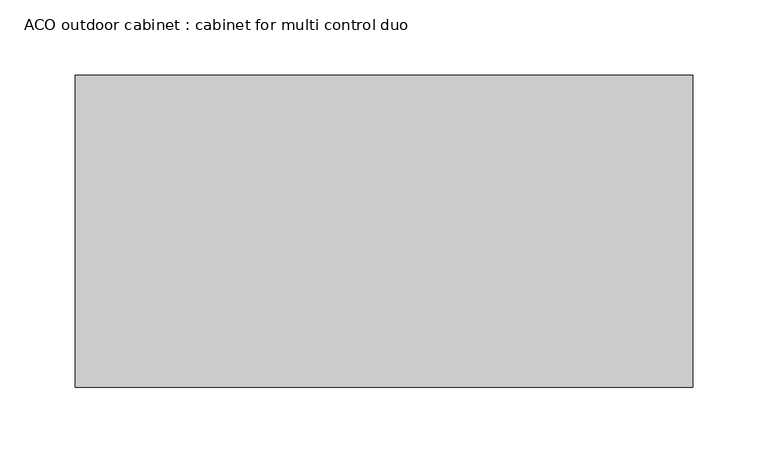
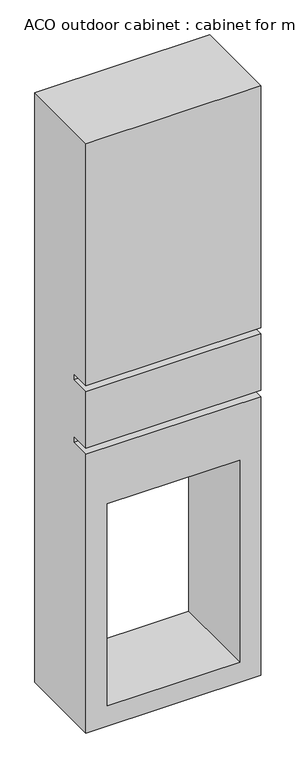
"""IFC4 building model written with IfcOpenShell, lengths in millimetres: furniture geometry, ACO outdoor cabinet : cabinet for multi control duo."""

from ifc_helpers import new_model, si_unit, origin, place, context, project, spatial, faceted_brep, source, transform, mapped, element, save


def aco_outdoor_cabinet_cabinet_for_multi_control_duo_19fc9964(model_context):
    return source(origin(), model_context, "Body", "Brep", [
        faceted_brep([(205.0, 0.0, 860.0), (-205.0, 0.0, 860.0), (-205.0, 0.0, 260.0), (205.0, 0.0, 260.0), (-205.0, 0.0, -600.0), (205.0, 0.0, -600.0), (205.0, 0.0, 90.0), (-205.0, 0.0, 90.0), (155.0, 0.0, -550.0), (-155.0, 0.0, -550.0), (-155.0, 0.0, -50.0), (155.0, 0.0, -50.0), (-205.0, 0.0, 245.0), (-205.0, 0.0, 105.0), (205.0, 0.0, 105.0), (205.0, 0.0, 245.0), (205.0, 207.0, 860.0), (205.0, 207.0, -600.0), (-205.0, 207.0, -600.0), (-205.0, 207.0, 860.0), (-155.0, 207.0, -550.0), (155.0, 207.0, -550.0), (155.0, 207.0, -50.0), (-155.0, 207.0, -50.0), (-205.0, 50.0, 90.0), (-205.0, 50.0, 105.0), (-205.0, 50.0, 245.0), (-205.0, 50.0, 260.0), (205.0, 50.0, 260.0), (205.0, 50.0, 245.0), (205.0, 50.0, 105.0), (205.0, 50.0, 90.0)], [[[0, 1, 2, 3]], [[4, 5, 6, 7], [8, 9, 10, 11]], [[12, 13, 14, 15]], [[16, 17, 18, 19], [20, 21, 22, 23]], [[1, 0, 16, 19]], [[19, 18, 4, 7, 24, 25, 13, 12, 26, 27, 2, 1]], [[5, 4, 18, 17]], [[17, 16, 0, 3, 28, 29, 15, 14, 30, 31, 6, 5]], [[8, 21, 20, 9]], [[21, 8, 11, 22]], [[22, 11, 10, 23]], [[9, 20, 23, 10]], [[30, 25, 24, 31]], [[28, 27, 26, 29]], [[25, 30, 14, 13]], [[31, 24, 7, 6]], [[27, 28, 3, 2]], [[29, 26, 12, 15]]]),
    ])


if __name__ == "__main__":
    model = new_model("IFC4")
    model_context = context("Model", 3, world=origin())
    ifc_project = project(units=[si_unit("LENGTHUNIT", "METRE", prefix="MILLI")], contexts=[model_context])
    site = spatial("IfcSite", under=ifc_project)
    building = spatial("IfcBuilding", under=site)
    placement = place(None, origin())
    aco_outdoor_cabinet_cabinet_for_multi_control_duo_shape = aco_outdoor_cabinet_cabinet_for_multi_control_duo_19fc9964(model_context)
    element("IfcFurniture", 1, ObjectType="ACO outdoor cabinet : cabinet for multi control duo", at=placement, inside=building, context=model_context, shape_type="MappedRepresentation", body=[
        mapped(aco_outdoor_cabinet_cabinet_for_multi_control_duo_shape, transform((0.0, 0.0, 0.0), x_axis=(1.0, 0.0, 0.0), y_axis=(0.0, 1.0, 0.0), z_axis=(0.0, 0.0, 1.0))),
    ])
    save(model, "model.ifc")
